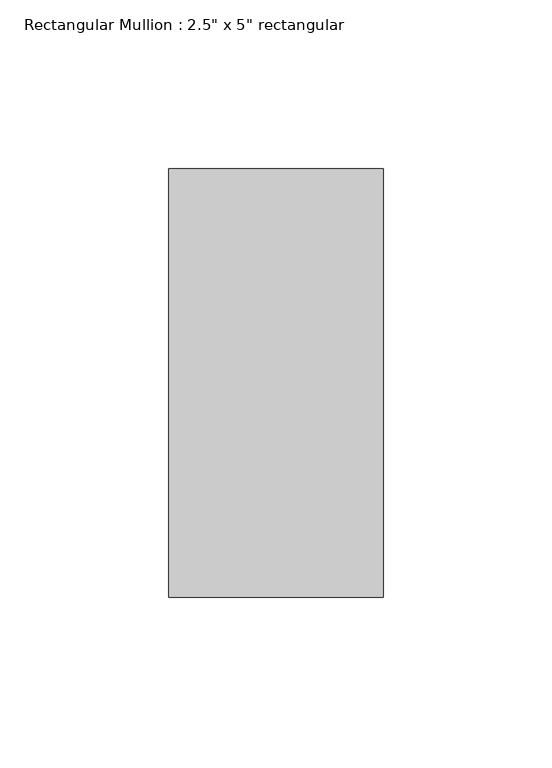
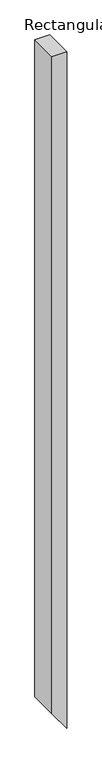
"""IFC4 building model written with IfcOpenShell, lengths in millimetres: member geometry."""

from ifc_helpers import new_model, si_unit, frame, origin, place, context, project, spatial, polyline, outline, extrude, source, transform, mapped, element, save


def member_5c0c2b3f(model_context):
    return source(origin(), model_context, "Body", "SweptSolid", [
        extrude(outline(polyline([(0.0, 0.0), (0.0, -63.5), (-2982.681584, -63.5), (-3070.3261947, 0.0), (0.0, 0.0)])), frame((0.0, -63.5, 0.0), z_axis=(0.0, 1.0, 0.0), x_axis=(0.0, 0.0, 1.0)), (0.0, 0.0, 1.0), 127.0),
    ])


if __name__ == "__main__":
    model = new_model("IFC4")
    model_context = context("Model", 3, world=origin())
    ifc_project = project(units=[si_unit("LENGTHUNIT", "METRE", prefix="MILLI")], contexts=[model_context])
    site = spatial("IfcSite", under=ifc_project)
    building = spatial("IfcBuilding", under=site)
    placement = place(None, origin())
    member_shape = member_5c0c2b3f(model_context)
    element("IfcMember", 1, ObjectType="Rectangular Mullion : 2.5\" x 5\" rectangular", at=placement, inside=building, context=model_context, shape_type="MappedRepresentation", body=[
        mapped(member_shape, transform((0.0, 0.0, 0.0), x_axis=(1.0, 0.0, 0.0), y_axis=(0.0, 1.0, 0.0), z_axis=(0.0, 0.0, 1.0))),
    ])
    save(model, "model.ifc")
